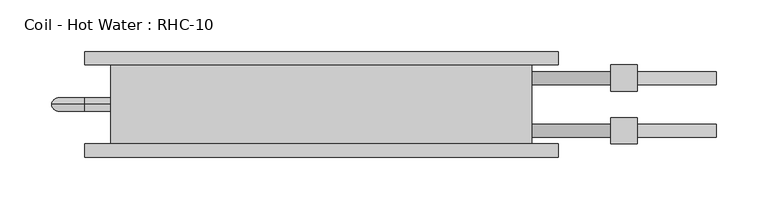
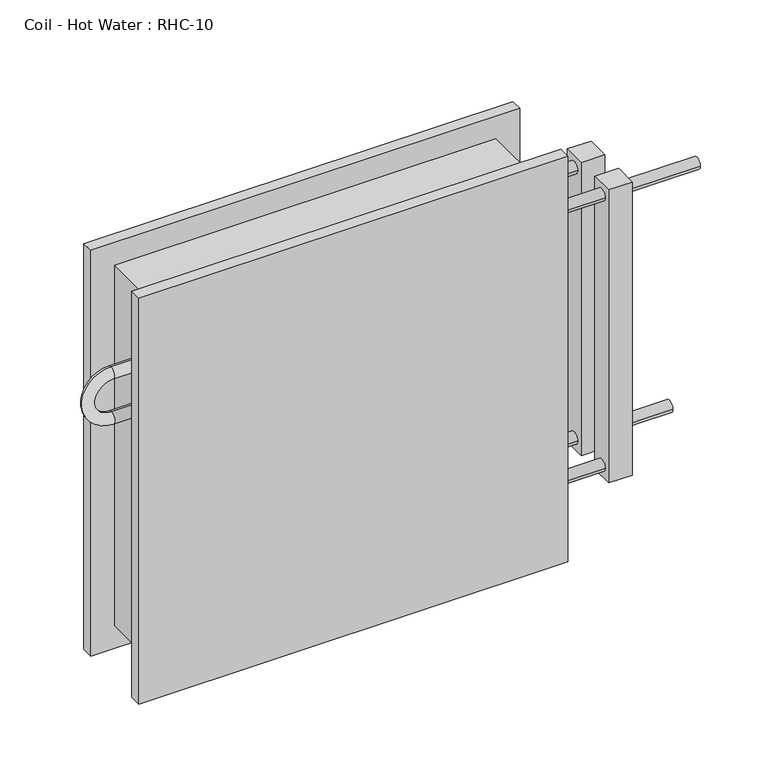
"""IFC4 building model written with IfcOpenShell, lengths in millimetres: proxy geometry, Coil - Hot Water : RHC-10."""

from ifc_helpers import new_model, si_unit, point, frame, origin, place, context, project, spatial, circle_curve, ellipse_curve, trimmed, source, transform, mapped, element, save
from ifc_brep_helpers import plane_surface, cylinder_surface, revolved_surface, advanced_brep


def coil_hot_water_rhc_10_bda0a3cf(model_context):
    return source(origin(), model_context, "Body", "AdvancedBrep", [
        advanced_brep(
        [(-203.2, 76.2, 406.4), (-203.2, 0.0, 406.4), (203.2, 0.0, 406.4), (203.2, 76.2, 406.4), (203.2, 76.2, 0.0), (203.2, 0.0, 0.0), (-203.2, 0.0, 0.0), (-203.2, 76.2, 0.0), (-203.2, 38.1, 323.85), (-203.2, 38.1, 311.15), (-203.2, 38.1, 273.05), (-203.2, 38.1, 260.35), (203.2, 57.15, 355.6), (203.2, 69.85, 355.6), (203.2, 6.35, 50.8), (203.2, 19.05, 50.8), (203.2, 6.35, 355.6), (203.2, 19.05, 355.6), (203.2, 57.15, 50.8), (203.2, 69.85, 50.8), (228.6, 76.2, 431.8), (-228.6, 76.2, 431.8), (-228.6, 76.2, -25.4), (228.6, 76.2, -25.4), (228.6, 88.9, 431.8), (228.6, 88.9, -25.4), (-228.6, 88.9, -25.4), (-228.6, 88.9, 431.8), (381.0, 57.15, 50.8), (381.0, 69.85, 50.8), (381.0, 6.35, 355.6), (381.0, 19.05, 355.6), (304.8, 57.15, 50.8), (304.8, 69.85, 50.8), (304.8, 6.35, 355.6), (304.8, 19.05, 355.6), (228.6, -12.7, 431.8), (-228.6, -12.7, 431.8), (-228.6, -12.7, -25.4), (228.6, -12.7, -25.4), (228.6, 0.0, 431.8), (228.6, 0.0, -25.4), (-228.6, 0.0, -25.4), (-228.6, 0.0, 431.8), (-228.6, 38.1, 323.85), (-228.6, 38.1, 311.15), (-228.6, 38.1, 260.35), (-228.6, 38.1, 273.05), (279.4, 57.15, 355.6), (279.4, 69.85, 355.6), (279.4, 6.35, 50.8), (279.4, 19.05, 50.8), (279.4, 6.35, 355.6), (279.4, 19.05, 355.6), (279.4, 57.15, 50.8), (279.4, 69.85, 50.8), (304.8, 50.8, 368.3), (304.8, 50.8, 38.1), (304.8, 76.2, 38.1), (304.8, 76.2, 368.3), (304.8, 0.0, 368.3), (304.8, 0.0, 38.1), (304.8, 25.4, 38.1), (304.8, 25.4, 368.3), (279.4, 50.8, 368.3), (279.4, 76.2, 368.3), (279.4, 76.2, 38.1), (279.4, 50.8, 38.1), (279.4, 0.0, 368.3), (279.4, 25.4, 368.3), (279.4, 25.4, 38.1), (279.4, 0.0, 38.1)],
        [
            (0, 1),
            (1, 2),
            (2, 3),
            (3, 0),
            (4, 5),
            (5, 6),
            (6, 7),
            (7, 4),
            (0, 7),
            (6, 1),
            (8, 9, circle_curve(frame((-203.2, 38.1, 317.5), z_axis=(1.0, 0.0, 0.0), x_axis=(0.0, 0.0, -1.0)), 6.35)),
            (9, 8, circle_curve(frame((-203.2, 38.1, 317.5), z_axis=(1.0, 0.0, 0.0), x_axis=(0.0, 0.0, -1.0)), 6.35)),
            (10, 11, circle_curve(frame((-203.2, 38.1, 266.7), z_axis=(1.0, 0.0, 0.0), x_axis=(0.0, 0.0, 1.0)), 6.35)),
            (11, 10, circle_curve(frame((-203.2, 38.1, 266.7), z_axis=(1.0, 0.0, 0.0), x_axis=(0.0, 0.0, 1.0)), 6.35)),
            (2, 5),
            (4, 3),
            (12, 13, circle_curve(frame((203.2, 63.5, 355.6), z_axis=(-1.0, 0.0, 0.0), x_axis=(0.0, 1.0, 0.0)), 6.35)),
            (13, 12, circle_curve(frame((203.2, 63.5, 355.6), z_axis=(-1.0, 0.0, 0.0), x_axis=(0.0, 1.0, 0.0)), 6.35)),
            (14, 15, circle_curve(frame((203.2, 12.7, 50.8), z_axis=(-1.0, 0.0, 0.0), x_axis=(0.0, 1.0, 0.0)), 6.35)),
            (15, 14, circle_curve(frame((203.2, 12.7, 50.8), z_axis=(-1.0, 0.0, 0.0), x_axis=(0.0, 1.0, 0.0)), 6.35)),
            (16, 17, circle_curve(frame((203.2, 12.7, 355.6), z_axis=(-1.0, 0.0, 0.0), x_axis=(0.0, 1.0, 0.0)), 6.35)),
            (17, 16, circle_curve(frame((203.2, 12.7, 355.6), z_axis=(-1.0, 0.0, 0.0), x_axis=(0.0, 1.0, 0.0)), 6.35)),
            (18, 19, circle_curve(frame((203.2, 63.5, 50.8), z_axis=(-1.0, 0.0, 0.0), x_axis=(0.0, 1.0, 0.0)), 6.35)),
            (19, 18, circle_curve(frame((203.2, 63.5, 50.8), z_axis=(-1.0, 0.0, 0.0), x_axis=(0.0, 1.0, 0.0)), 6.35)),
            (20, 21),
            (21, 22),
            (22, 23),
            (23, 20),
            (24, 25),
            (25, 26),
            (26, 27),
            (27, 24),
            (20, 24),
            (27, 21),
            (26, 22),
            (25, 23),
            (28, 29, circle_curve(frame((381.0, 63.5, 50.8), z_axis=(1.0, 0.0, 0.0), x_axis=(0.0, 1.0, 0.0)), 6.35)),
            (29, 28, circle_curve(frame((381.0, 63.5, 50.8), z_axis=(1.0, 0.0, 0.0), x_axis=(0.0, 1.0, 0.0)), 6.35)),
            (30, 31, circle_curve(frame((381.0, 12.7, 355.6), z_axis=(1.0, 0.0, 0.0), x_axis=(0.0, 1.0, 0.0)), 6.35)),
            (31, 30, circle_curve(frame((381.0, 12.7, 355.6), z_axis=(1.0, 0.0, 0.0), x_axis=(0.0, 1.0, 0.0)), 6.35)),
            (28, 32),
            (32, 33, circle_curve(frame((304.8, 63.5, 50.8), z_axis=(1.0, 0.0, 0.0), x_axis=(0.0, 1.0, 0.0)), 6.35)),
            (33, 29),
            (33, 32, circle_curve(frame((304.8, 63.5, 50.8), z_axis=(1.0, 0.0, 0.0), x_axis=(0.0, 1.0, 0.0)), 6.35)),
            (30, 34),
            (34, 35, circle_curve(frame((304.8, 12.7, 355.6), z_axis=(1.0, 0.0, 0.0), x_axis=(0.0, 1.0, 0.0)), 6.35)),
            (35, 31),
            (35, 34, circle_curve(frame((304.8, 12.7, 355.6), z_axis=(1.0, 0.0, 0.0), x_axis=(0.0, 1.0, 0.0)), 6.35)),
            (36, 37),
            (37, 38),
            (38, 39),
            (39, 36),
            (40, 41),
            (41, 42),
            (42, 43),
            (43, 40),
            (36, 40),
            (43, 37),
            (42, 38),
            (41, 39),
            (8, 44),
            (44, 45, circle_curve(frame((-228.6, 38.1, 317.5), z_axis=(1.0, 0.0, 0.0), x_axis=(0.0, 0.0, -1.0)), 6.35)),
            (45, 9),
            (45, 44, circle_curve(frame((-228.6, 38.1, 317.5), z_axis=(1.0, 0.0, 0.0), x_axis=(0.0, 0.0, -1.0)), 6.35)),
            (44, 46, circle_curve(frame((-228.6, 38.1, 292.1), z_axis=(0.0, -1.0, 0.0), x_axis=(0.0, 0.0, 1.0)), 31.75)),
            (46, 47, circle_curve(frame((-228.6, 38.1, 266.7), z_axis=(-1.0, 0.0, 0.0), x_axis=(0.0, 0.0, 1.0)), 6.35)),
            (47, 45, circle_curve(frame((-228.6, 38.1, 292.1), z_axis=(0.0, 1.0, 0.0), x_axis=(0.0, 0.0, 1.0)), 19.05)),
            (47, 46, circle_curve(frame((-228.6, 38.1, 266.7), z_axis=(-1.0, 0.0, 0.0), x_axis=(0.0, 0.0, 1.0)), 6.35)),
            (46, 11),
            (10, 47),
            (12, 48),
            (48, 49, circle_curve(frame((279.4, 63.5, 355.6), z_axis=(-1.0, 0.0, 0.0), x_axis=(0.0, 1.0, 0.0)), 6.35)),
            (49, 13),
            (49, 48, circle_curve(frame((279.4, 63.5, 355.6), z_axis=(-1.0, 0.0, 0.0), x_axis=(0.0, 1.0, 0.0)), 6.35)),
            (14, 50),
            (50, 51, circle_curve(frame((279.4, 12.7, 50.8), z_axis=(-1.0, 0.0, 0.0), x_axis=(0.0, 1.0, 0.0)), 6.35)),
            (51, 15),
            (51, 50, circle_curve(frame((279.4, 12.7, 50.8), z_axis=(-1.0, 0.0, 0.0), x_axis=(0.0, 1.0, 0.0)), 6.35)),
            (16, 52),
            (52, 53, circle_curve(frame((279.4, 12.7, 355.6), z_axis=(-1.0, 0.0, 0.0), x_axis=(0.0, 1.0, 0.0)), 6.35)),
            (53, 17),
            (53, 52, circle_curve(frame((279.4, 12.7, 355.6), z_axis=(-1.0, 0.0, 0.0), x_axis=(0.0, 1.0, 0.0)), 6.35)),
            (18, 54),
            (54, 55, circle_curve(frame((279.4, 63.5, 50.8), z_axis=(-1.0, 0.0, 0.0), x_axis=(0.0, 1.0, 0.0)), 6.35)),
            (55, 19),
            (55, 54, circle_curve(frame((279.4, 63.5, 50.8), z_axis=(-1.0, 0.0, 0.0), x_axis=(0.0, 1.0, 0.0)), 6.35)),
            (56, 57),
            (57, 58),
            (58, 59),
            (59, 56),
            (60, 61),
            (61, 62),
            (62, 63),
            (63, 60),
            (64, 65),
            (65, 66),
            (66, 67),
            (67, 64),
            (68, 69),
            (69, 70),
            (70, 71),
            (71, 68),
            (56, 64),
            (67, 57),
            (66, 58),
            (65, 59),
            (60, 68),
            (71, 61),
            (70, 62),
            (69, 63),
        ],
        [
            plane_surface(frame((-203.2, 76.2, 406.4), z_axis=(0.0, 0.0, 1.0), x_axis=(-1.0, 0.0, 0.0))),
            plane_surface(frame((-203.2, 76.2, 0.0), z_axis=(0.0, 0.0, -1.0), x_axis=(1.0, 0.0, 0.0))),
            plane_surface(frame((-203.2, 76.2, 406.4), z_axis=(-1.0, 0.0, 0.0), x_axis=(0.0, 0.0, -1.0))),
            plane_surface(frame((203.2, 0.0, 406.4), z_axis=(1.0, 0.0, 0.0), x_axis=(0.0, 0.0, -1.0))),
            plane_surface(frame((-228.6, 76.2, 431.8), z_axis=(0.0, -1.0, 0.0), x_axis=(-1.0, 0.0, 0.0))),
            plane_surface(frame((-228.6, 88.9, 431.8), z_axis=(0.0, 1.0, 0.0), x_axis=(1.0, 0.0, 0.0))),
            plane_surface(frame((228.6, 76.2, 431.8), z_axis=(0.0, 0.0, 1.0), x_axis=(0.0, 1.0, 0.0))),
            plane_surface(frame((-228.6, 76.2, 431.8), z_axis=(-1.0, 0.0, 0.0), x_axis=(0.0, 1.0, 0.0))),
            plane_surface(frame((-228.6, 76.2, -25.4), z_axis=(0.0, 0.0, -1.0), x_axis=(0.0, 1.0, 0.0))),
            plane_surface(frame((228.6, 76.2, -25.4), z_axis=(1.0, 0.0, 0.0), x_axis=(0.0, 1.0, 0.0))),
            plane_surface(frame((381.0, 69.85, 50.8), z_axis=(1.0, 0.0, 0.0), x_axis=(0.0, 0.0, 1.0))),
            cylinder_surface(frame((304.8, 63.5, 50.8), z_axis=(1.0, 0.0, 0.0), x_axis=(0.0, 1.0, 0.0)), 6.35),
            cylinder_surface(frame((0.0, 12.7, 355.6), z_axis=(1.0, 0.0, 0.0), x_axis=(0.0, 1.0, 0.0)), 6.35),
            plane_surface(frame((-228.6, -12.7, 431.8), z_axis=(0.0, -1.0, 0.0), x_axis=(-1.0, 0.0, 0.0))),
            plane_surface(frame((-228.6, 0.0, 431.8), z_axis=(0.0, 1.0, 0.0), x_axis=(1.0, 0.0, 0.0))),
            plane_surface(frame((228.6, -12.7, 431.8), z_axis=(0.0, 0.0, 1.0), x_axis=(0.0, 1.0, 0.0))),
            plane_surface(frame((-228.6, -12.7, 431.8), z_axis=(-1.0, 0.0, 0.0), x_axis=(0.0, 1.0, 0.0))),
            plane_surface(frame((-228.6, -12.7, -25.4), z_axis=(0.0, 0.0, -1.0), x_axis=(0.0, 1.0, 0.0))),
            plane_surface(frame((228.6, -12.7, -25.4), z_axis=(1.0, 0.0, 0.0), x_axis=(0.0, 1.0, 0.0))),
            cylinder_surface(frame((-203.2, 38.1, 317.5), z_axis=(1.0, 0.0, 0.0), x_axis=(0.0, 0.0, -1.0)), 6.35),
            revolved_surface(trimmed(ellipse_curve(frame((-228.6, 38.1, 317.5), z_axis=(1.0, 0.0, 0.0), x_axis=(0.0, 0.0, -1.0)), 6.35, 6.35), [point((-228.6, 38.1, 323.85))], [point((-228.6, 38.1, 311.15))], True, "CARTESIAN"), (-228.6, 0.0, 292.1), (0.0, -1.0, 0.0)),
            revolved_surface(trimmed(ellipse_curve(frame((-228.6, 38.1, 317.5), z_axis=(1.0, 0.0, 0.0), x_axis=(0.0, 0.0, -1.0)), 6.35, 6.35), [point((-228.6, 38.1, 311.15))], [point((-228.6, 38.1, 323.85))], True, "CARTESIAN"), (-228.6, 0.0, 292.1), (0.0, -1.0, 0.0)),
            cylinder_surface(frame((-228.6, 38.1, 266.7), z_axis=(-1.0, 0.0, 0.0), x_axis=(0.0, 0.0, 1.0)), 6.35),
            cylinder_surface(frame((203.2, 63.5, 355.6), z_axis=(-1.0, 0.0, 0.0), x_axis=(0.0, 1.0, 0.0)), 6.35),
            cylinder_surface(frame((203.2, 12.7, 50.8), z_axis=(-1.0, 0.0, 0.0), x_axis=(0.0, 1.0, 0.0)), 6.35),
            cylinder_surface(frame((203.2, 12.7, 355.6), z_axis=(-1.0, 0.0, 0.0), x_axis=(0.0, 1.0, 0.0)), 6.35),
            cylinder_surface(frame((203.2, 63.5, 50.8), z_axis=(-1.0, 0.0, 0.0), x_axis=(0.0, 1.0, 0.0)), 6.35),
            plane_surface(frame((304.8, 50.8, 368.3), z_axis=(1.0, 0.0, 0.0), x_axis=(0.0, 0.0, -1.0))),
            plane_surface(frame((279.4, 50.8, 368.3), z_axis=(-1.0, 0.0, 0.0), x_axis=(0.0, 0.0, 1.0))),
            plane_surface(frame((304.8, 50.8, 368.3), z_axis=(0.0, -1.0, 0.0), x_axis=(-1.0, 0.0, 0.0))),
            plane_surface(frame((304.8, 50.8, 38.1), z_axis=(0.0, 0.0, -1.0), x_axis=(-1.0, 0.0, 0.0))),
            plane_surface(frame((304.8, 76.2, 38.1), z_axis=(0.0, 1.0, 0.0), x_axis=(-1.0, 0.0, 0.0))),
            plane_surface(frame((304.8, 76.2, 368.3), z_axis=(0.0, 0.0, 1.0), x_axis=(-1.0, 0.0, 0.0))),
            plane_surface(frame((304.8, 0.0, 368.3), z_axis=(0.0, -1.0, 0.0), x_axis=(-1.0, 0.0, 0.0))),
            plane_surface(frame((304.8, 0.0, 38.1), z_axis=(0.0, 0.0, -1.0), x_axis=(-1.0, 0.0, 0.0))),
            plane_surface(frame((304.8, 25.4, 38.1), z_axis=(0.0, 1.0, 0.0), x_axis=(-1.0, 0.0, 0.0))),
            plane_surface(frame((304.8, 25.4, 368.3), z_axis=(0.0, 0.0, 1.0), x_axis=(-1.0, 0.0, 0.0))),
        ],
        [
            (0, [[1, 2, 3, 4]]),
            (1, [[5, 6, 7, 8]]),
            (2, [[-1, 9, -7, 10], [11, 12], [13, 14]]),
            (3, [[-3, 15, -5, 16], [17, 18], [19, 20], [21, 22], [23, 24]]),
            (4, [[25, 26, 27, 28], [-4, -16, -8, -9]]),
            (5, [[29, 30, 31, 32]]),
            (6, [[-25, 33, -32, 34]]),
            (7, [[-26, -34, -31, 35]]),
            (8, [[-27, -35, -30, 36]]),
            (9, [[-28, -36, -29, -33]]),
            (10, [[37, 38]]),
            (10, [[39, 40]]),
            (11, [[-37, 41, 42, 43]]),
            (11, [[-38, -43, 44, -41]]),
            (12, [[-39, 45, 46, 47]]),
            (12, [[-40, -47, 48, -45]]),
            (13, [[49, 50, 51, 52]]),
            (14, [[53, 54, 55, 56], [-2, -10, -6, -15]]),
            (15, [[-49, 57, -56, 58]]),
            (16, [[-50, -58, -55, 59]]),
            (17, [[-51, -59, -54, 60]]),
            (18, [[-52, -60, -53, -57]]),
            (19, [[61, 62, 63, -11]]),
            (19, [[-61, -12, -63, 64]]),
            (20, [[-62, 65, 66, 67]]),
            (21, [[-64, -67, 68, -65]]),
            (22, [[-66, 69, -13, 70]]),
            (22, [[-68, -70, -14, -69]]),
            (23, [[71, 72, 73, -17]]),
            (23, [[-71, -18, -73, 74]]),
            (24, [[75, 76, 77, -19]]),
            (24, [[-75, -20, -77, 78]]),
            (25, [[79, 80, 81, -21]]),
            (25, [[-79, -22, -81, 82]]),
            (26, [[83, 84, 85, -23]]),
            (26, [[-83, -24, -85, 86]]),
            (27, [[87, 88, 89, 90], [-42, -44]]),
            (27, [[91, 92, 93, 94], [-46, -48]]),
            (28, [[95, 96, 97, 98], [-72, -74], [-84, -86]]),
            (28, [[99, 100, 101, 102], [-76, -78], [-80, -82]]),
            (29, [[-87, 103, -98, 104]]),
            (30, [[-88, -104, -97, 105]]),
            (31, [[-89, -105, -96, 106]]),
            (32, [[-90, -106, -95, -103]]),
            (33, [[-91, 107, -102, 108]]),
            (34, [[-92, -108, -101, 109]]),
            (35, [[-93, -109, -100, 110]]),
            (36, [[-94, -110, -99, -107]]),
        ],
    ),
    ])


if __name__ == "__main__":
    model = new_model("IFC4")
    model_context = context("Model", 3, world=origin())
    ifc_project = project(units=[si_unit("LENGTHUNIT", "METRE", prefix="MILLI")], contexts=[model_context])
    site = spatial("IfcSite", under=ifc_project)
    building = spatial("IfcBuilding", under=site)
    placement = place(None, origin())
    coil_hot_water_rhc_10_shape = coil_hot_water_rhc_10_bda0a3cf(model_context)
    element("IfcBuildingElementProxy", 1, Name="Coil - Hot Water : RHC-10", ObjectType="Coil - Hot Water : RHC-10", at=placement, inside=building, context=model_context, shape_type="MappedRepresentation", body=[
        mapped(coil_hot_water_rhc_10_shape, transform((0.0, 0.0, 0.0), x_axis=(1.0, 0.0, 0.0), y_axis=(0.0, 1.0, 0.0), z_axis=(0.0, 0.0, 1.0))),
    ])
    save(model, "model.ifc")
